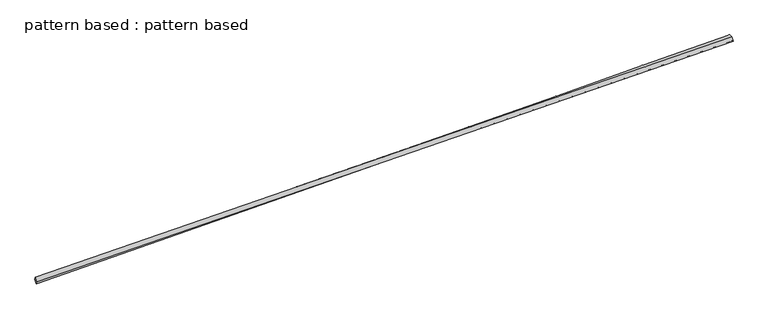
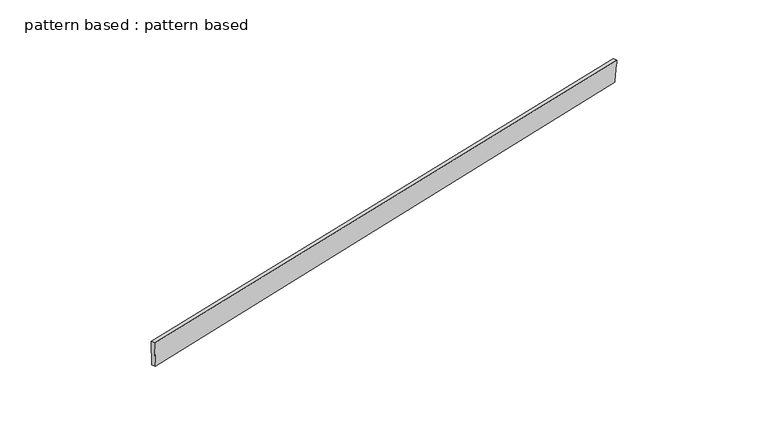
"""IFC4 building model written with IfcOpenShell, lengths in millimetres: plate geometry, pattern based : pattern based."""

from ifc_helpers import new_model, si_unit, frame, origin, place, context, project, spatial, source, transform, mapped, element, save
from ifc_brep_helpers import plane_surface, spline_surface, advanced_brep


def pattern_based_pattern_based_61d5996c(model_context):
    return source(origin(), model_context, "Body", "AdvancedBrep", [
        advanced_brep(
        [(2994.4670735, 2994.4670735, 74.930665), (2996.201818, 3006.9481332, 224.4004406), (2987.9753555, 3030.5557244, 224.4838295), (2986.240611, 3018.0746646, 75.0140539), (6684.4289849, 4280.3018225, 73.4310775), (6676.2025224, 4303.9094137, 73.5144664), (6674.9189796, 4289.9201157, -75.9578386), (6666.6925171, 4313.5277069, -75.8744497)],
        [
            (0, 1),
            (1, 2),
            (2, 3),
            (3, 0),
            (1, 4),
            (4, 5),
            (5, 2),
            (4, 6),
            (6, 7),
            (7, 5),
            (6, 0),
            (3, 7),
        ],
        [
            plane_surface(frame((2995.3344458, 3000.7076034, 149.6655528), z_axis=(-0.9435695884092038, -0.32893841008128977, 0.038418149389044726), x_axis=(0.011564963778596218, 0.083207064996024, 0.9964651704638487))),
            plane_surface(frame((4840.3154015, 3643.6249779, 148.915759), z_axis=(0.037597313852689704, 0.009571785351115043, 0.999247128050041), x_axis=(0.9445436441789914, 0.32610196704491856, -0.038662789998988555))),
            plane_surface(frame((6679.6739822, 4285.1109691, -1.2633805), z_axis=(0.943551918846962, 0.3289339116413828, -0.03888776430337861), x_axis=(-0.06340003543937951, 0.0641219547091859, -0.9959261069128365))),
            plane_surface(frame((4834.6930265, 3642.1935946, -0.5135868), z_axis=(-0.03759731385269016, -0.0095717853511152, -0.9992471280500408), x_axis=(-0.942569388400249, -0.3317675146669668, 0.03864277762382904))),
            spline_surface(1, 1, [[(2987.9753555, 3030.5557244, 224.4838295), (2986.240611, 3018.0746646, 75.0140539)], [(6676.2025224, 4303.9094137, 73.5144664), (6666.6925171, 4313.5277069, -75.8744497)]], [2, 2], [2, 2], [0.0, 1.0], [0.0, 1.0]),
            spline_surface(1, 1, [[(6674.9189796, 4289.9201157, -75.9578386), (2994.4670735, 2994.4670735, 74.930665)], [(6684.4289849, 4280.3018225, 73.4310775), (2996.201818, 3006.9481332, 224.4004406)]], [2, 2], [2, 2], [0.0, 1.0], [0.0, 1.0]),
        ],
        [
            (0, [[1, 2, 3, 4]]),
            (1, [[5, 6, 7, -2]]),
            (2, [[8, 9, 10, -6]]),
            (3, [[11, -4, 12, -9]]),
            (4, [[-3, -7, -10, -12]]),
            (5, [[-11, -8, -5, -1]]),
        ],
    ),
    ])


if __name__ == "__main__":
    model = new_model("IFC4")
    model_context = context("Model", 3, world=origin())
    ifc_project = project(units=[si_unit("LENGTHUNIT", "METRE", prefix="MILLI")], contexts=[model_context])
    site = spatial("IfcSite", under=ifc_project)
    building = spatial("IfcBuilding", under=site)
    placement = place(None, origin())
    pattern_based_pattern_based_shape = pattern_based_pattern_based_61d5996c(model_context)
    element("IfcPlate", 1, ObjectType="pattern based : pattern based", at=placement, inside=building, context=model_context, shape_type="MappedRepresentation", body=[
        mapped(pattern_based_pattern_based_shape, transform((0.0, 0.0, 0.0), x_axis=(1.0, 0.0, 0.0), y_axis=(0.0, 1.0, 0.0), z_axis=(0.0, 0.0, 1.0))),
    ])
    save(model, "model.ifc")
